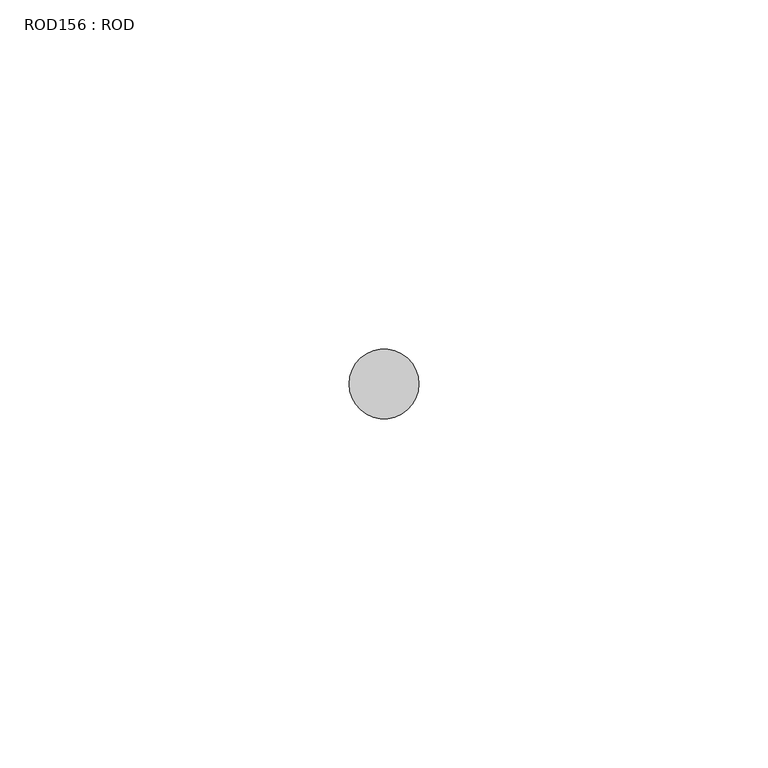
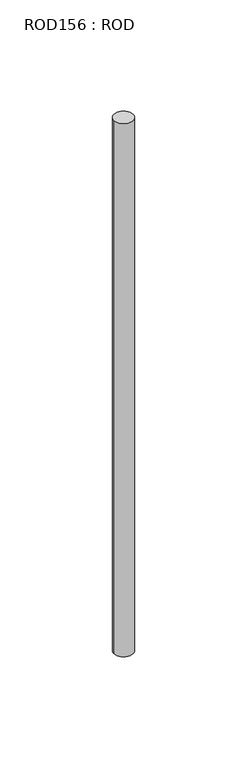
"""IFC4 building model written with IfcOpenShell, lengths in millimetres: proxy geometry, ROD156 : ROD."""

from ifc_helpers import new_model, si_unit, point, frame, frame_2d, origin, place, context, project, spatial, circle_curve, trimmed, segment, composite_curve, outline, extrude, source, transform, mapped, element, save


def rod156_rod_ee2f129a(model_context):
    return source(origin(), model_context, "Body", "SweptSolid", [
        extrude(outline(composite_curve([segment(trimmed(circle_curve(frame_2d((-7067.2215616, -12414.6300853)), 5.0), [point((-7072.2215616, -12414.6300853))], [point((-7062.2215616, -12414.6300853))], False, "CARTESIAN"), True, "CONTINUOUS"), segment(trimmed(circle_curve(frame_2d((-7067.2215616, -12414.6300853)), 5.0), [point((-7062.2215616, -12414.6300853))], [point((-7072.2215616, -12414.6300853))], False, "CARTESIAN"), True, "CONTINUOUS")], self_intersect=False)), frame((0.0, 0.0, -208.6608845), z_axis=(0.0, 0.0, 1.0), x_axis=(1.0, 0.0, 0.0)), (0.0, 0.0, 1.0), 298.9028972),
    ])


if __name__ == "__main__":
    model = new_model("IFC4")
    model_context = context("Model", 3, world=origin())
    ifc_project = project(units=[si_unit("LENGTHUNIT", "METRE", prefix="MILLI")], contexts=[model_context])
    site = spatial("IfcSite", under=ifc_project)
    building = spatial("IfcBuilding", under=site)
    placement = place(None, origin())
    rod156_rod_shape = rod156_rod_ee2f129a(model_context)
    element("IfcBuildingElementProxy", 1, Name="ROD156 : ROD", ObjectType="ROD156 : ROD", at=placement, inside=building, context=model_context, shape_type="MappedRepresentation", body=[
        mapped(rod156_rod_shape, transform((0.0, 0.0, 0.0), x_axis=(1.0, 0.0, 0.0), y_axis=(0.0, 1.0, 0.0), z_axis=(0.0, 0.0, 1.0))),
    ])
    save(model, "model.ifc")
